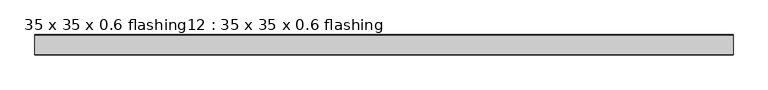
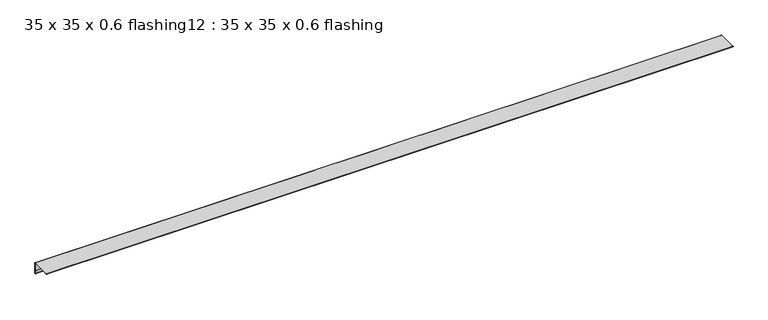
"""IFC4 building model written with IfcOpenShell, lengths in millimetres: proxy geometry, 35 x 35 x 0.6 flashing12 : 35 x 35 x 0.6 flashing."""

from ifc_helpers import new_model, si_unit, point, frame, frame_2d, origin, place, context, project, spatial, polyline, circle_curve, trimmed, segment, composite_curve, outline, extrude, source, transform, mapped, element, save


def proxy_35_x_35_x_0_6_flashing12_35_x_35_x_0_6_flashing_ffb145af(model_context):
    return source(origin(), model_context, "Body", "SweptSolid", [
        extrude(outline(composite_curve([segment(trimmed(circle_curve(frame_2d((-1082.8701898, 1488.3887139)), 1.0), [point((-1081.8701898, 1488.3887139))], [point((-1083.8701898, 1488.3887139))], False, "CARTESIAN"), True, "CONTINUOUS"), segment(polyline([(-1083.8701898, 1488.3887139), (-1083.8701898, 1497.390498), (-1082.8701898, 1497.390498), (-1082.8701898, 1525.8887139)]), True, "CONTINUOUS"), segment(trimmed(circle_curve(frame_2d((-1084.3701898, 1525.8887139)), 1.5), [point((-1082.8701898, 1525.8887139))], [point((-1084.3701898, 1527.3887139))], True, "CARTESIAN"), True, "CONTINUOUS"), segment(polyline([(-1084.3701898, 1527.3887139), (-1141.8701898, 1527.3887139), (-1141.8701898, 1526.3887139), (-1150.9028672, 1526.3887139)]), True, "CONTINUOUS"), segment(trimmed(circle_curve(frame_2d((-1150.9028672, 1527.3887139)), 1.0), [point((-1150.9028672, 1526.3887139))], [point((-1150.9028672, 1528.3887139))], False, "CARTESIAN"), True, "CONTINUOUS"), segment(polyline([(-1150.9028672, 1528.3887139), (-1084.3701898, 1528.3887139)]), True, "CONTINUOUS"), segment(trimmed(circle_curve(frame_2d((-1084.3701898, 1525.8887139)), 2.5), [point((-1084.3701898, 1528.3887139))], [point((-1081.8701898, 1525.8887139))], False, "CARTESIAN"), True, "CONTINUOUS"), segment(polyline([(-1081.8701898, 1525.8887139), (-1081.8701898, 1488.3887139)]), True, "CONTINUOUS")], self_intersect=False)), frame((-10619.6640929, 0.0, 0.0), z_axis=(1.0, 0.0, 0.0), x_axis=(0.0, 1.0, 0.0)), (0.0, 0.0, 1.0), 2410.6438934),
    ])


if __name__ == "__main__":
    model = new_model("IFC4")
    model_context = context("Model", 3, world=origin())
    ifc_project = project(units=[si_unit("LENGTHUNIT", "METRE", prefix="MILLI")], contexts=[model_context])
    site = spatial("IfcSite", under=ifc_project)
    building = spatial("IfcBuilding", under=site)
    placement = place(None, origin())
    proxy_35_x_35_x_0_6_flashing12_35_x_35_x_0_6_flashing_shape = proxy_35_x_35_x_0_6_flashing12_35_x_35_x_0_6_flashing_ffb145af(model_context)
    element("IfcBuildingElementProxy", 1, Name="35 x 35 x 0.6 flashing12 : 35 x 35 x 0.6 flashing", ObjectType="35 x 35 x 0.6 flashing12 : 35 x 35 x 0.6 flashing", at=placement, inside=building, context=model_context, shape_type="MappedRepresentation", body=[
        mapped(proxy_35_x_35_x_0_6_flashing12_35_x_35_x_0_6_flashing_shape, transform((0.0, 0.0, 0.0), x_axis=(1.0, 0.0, 0.0), y_axis=(0.0, 1.0, 0.0), z_axis=(0.0, 0.0, 1.0))),
    ])
    save(model, "model.ifc")
